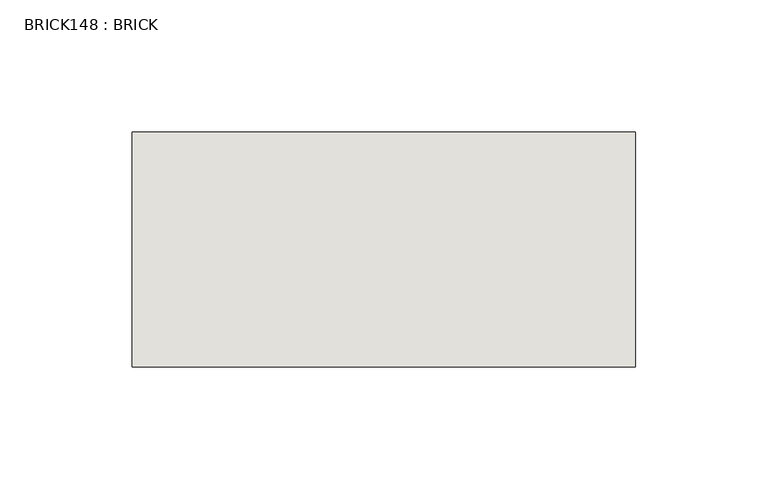
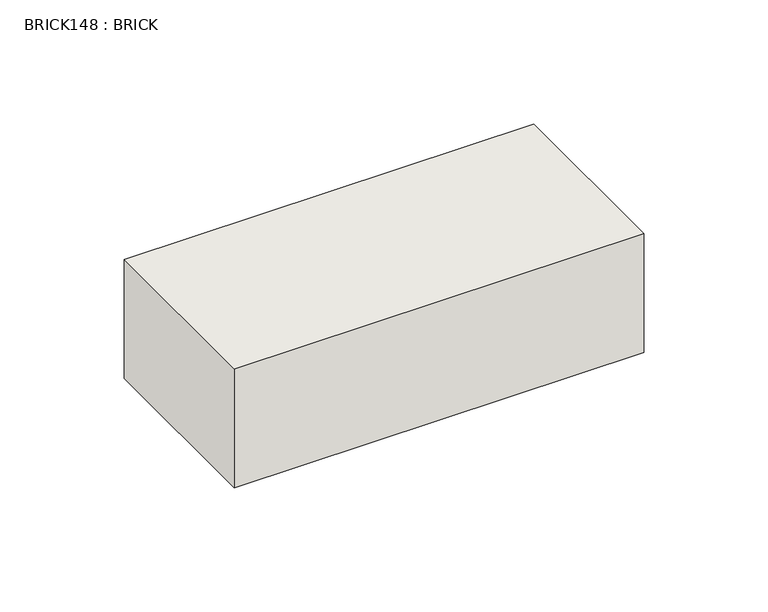
"""IFC4 building model written with IfcOpenShell, lengths in millimetres: wall geometry, BRICK148 : BRICK."""

from ifc_helpers import new_model, si_unit, frame, origin, place, context, project, spatial, polyline, outline, extrude, source, transform, mapped, element, save


def brick148_brick_40772d10(model_context):
    return source(origin(), model_context, "Body", "SweptSolid", [
        extrude(outline(polyline([(-80.6727406, 2586.2274125), (109.8272594, 2586.2274125), (109.8272594, 2497.3274125), (-80.6727406, 2497.3274125), (-80.6727406, 2586.2274125)])), frame((0.0, 0.0, 4.1671875), z_axis=(0.0, 0.0, 1.0), x_axis=(1.0, 0.0, 0.0)), (0.0, 0.0, 1.0), 58.4398437),
    ])


if __name__ == "__main__":
    model = new_model("IFC4")
    model_context = context("Model", 3, world=origin())
    ifc_project = project(units=[si_unit("LENGTHUNIT", "METRE", prefix="MILLI")], contexts=[model_context])
    site = spatial("IfcSite", under=ifc_project)
    building = spatial("IfcBuilding", under=site)
    placement = place(None, origin())
    brick148_brick_shape = brick148_brick_40772d10(model_context)
    element("IfcWall", 1, ObjectType="BRICK148 : BRICK", at=placement, inside=building, context=model_context, shape_type="MappedRepresentation", body=[
        mapped(brick148_brick_shape, transform((0.0, 0.0, 0.0), x_axis=(1.0, 0.0, 0.0), y_axis=(0.0, 1.0, 0.0), z_axis=(0.0, 0.0, 1.0))),
    ])
    save(model, "model.ifc")
